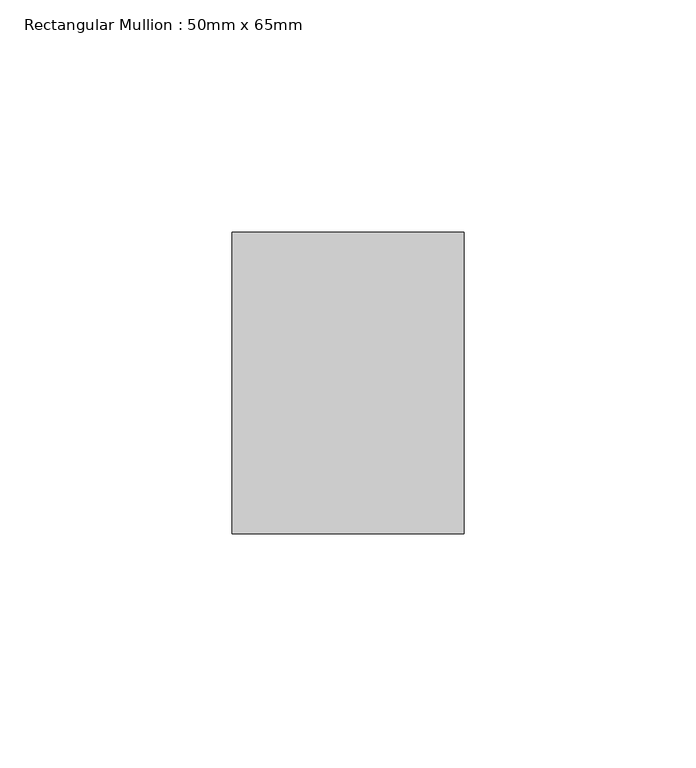
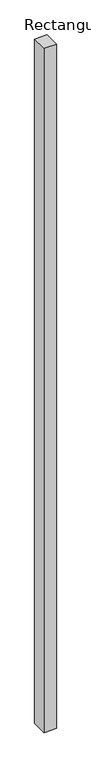
"""IFC4 building model written with IfcOpenShell, lengths in millimetres: member geometry, Rectangular Mullion : 50mm x 65mm."""

from ifc_helpers import new_model, si_unit, frame, origin, place, context, project, spatial, polyline, outline, extrude, source, transform, mapped, element, save


def rectangular_mullion_50mm_x_65mm_7eb682f3(model_context):
    return source(origin(), model_context, "Body", "SweptSolid", [
        extrude(outline(polyline([(25.0, 32.5), (25.0, -32.5), (-25.0, -32.5), (-25.0, 32.5), (25.0, 32.5)])), frame((0.0, 0.0, -2924.9800317), z_axis=(0.0, 0.0, 1.0), x_axis=(1.0, 0.0, 0.0)), (0.0, 0.0, 1.0), 2924.9800317),
    ])


if __name__ == "__main__":
    model = new_model("IFC4")
    model_context = context("Model", 3, world=origin())
    ifc_project = project(units=[si_unit("LENGTHUNIT", "METRE", prefix="MILLI")], contexts=[model_context])
    site = spatial("IfcSite", under=ifc_project)
    building = spatial("IfcBuilding", under=site)
    placement = place(None, origin())
    rectangular_mullion_50mm_x_65mm_shape = rectangular_mullion_50mm_x_65mm_7eb682f3(model_context)
    element("IfcMember", 1, ObjectType="Rectangular Mullion : 50mm x 65mm", at=placement, inside=building, context=model_context, shape_type="MappedRepresentation", body=[
        mapped(rectangular_mullion_50mm_x_65mm_shape, transform((0.0, 0.0, 0.0), x_axis=(1.0, 0.0, 0.0), y_axis=(0.0, 1.0, 0.0), z_axis=(0.0, 0.0, 1.0))),
    ])
    save(model, "model.ifc")
